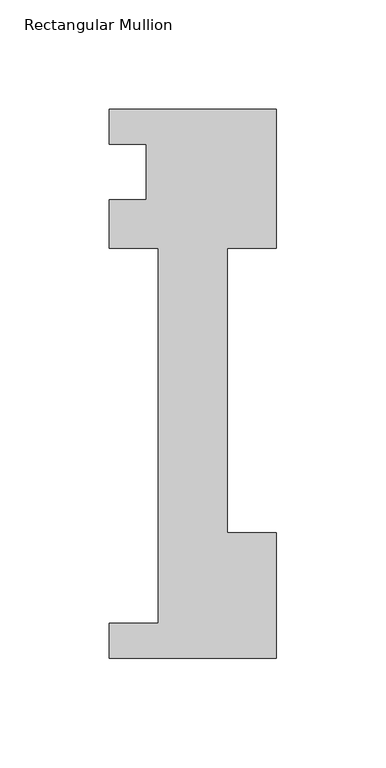
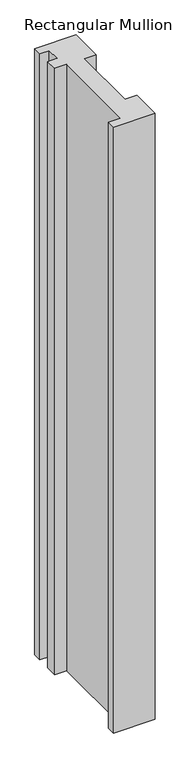
"""IFC4 building model written with IfcOpenShell, lengths in millimetres: member geometry, Rectangular Mullion."""

from ifc_helpers import new_model, si_unit, frame, origin, place, context, project, spatial, polyline, outline, extrude, source, transform, mapped, element, save


def rectangular_mullion_6cc9efab(model_context):
    return source(origin(), model_context, "Body", "SweptSolid", [
        extrude(outline(polyline([(-76.2, -221.996), (-76.2, -206.121), (-53.975, -206.121), (-53.975, -34.671), (-76.2, -34.671), (-76.2, -12.446), (-59.2778052, -12.446), (-59.2778052, 12.954), (-76.2, 12.954), (-76.2, 28.8082618), (0.0, 28.8082618), (0.0, -34.671), (-22.225, -34.671), (-22.225, -164.75372), (0.0, -164.75372), (0.0, -221.996), (-76.2, -221.996)])), frame((0.0, 0.0, -1176.3770842), z_axis=(0.0, 0.0, 1.0), x_axis=(1.0, 0.0, 0.0)), (0.0, 0.0, 1.0), 1176.3770842),
    ])


if __name__ == "__main__":
    model = new_model("IFC4")
    model_context = context("Model", 3, world=origin())
    ifc_project = project(units=[si_unit("LENGTHUNIT", "METRE", prefix="MILLI")], contexts=[model_context])
    site = spatial("IfcSite", under=ifc_project)
    building = spatial("IfcBuilding", under=site)
    placement = place(None, origin())
    rectangular_mullion_shape = rectangular_mullion_6cc9efab(model_context)
    element("IfcMember", 1, ObjectType="Rectangular Mullion", at=placement, inside=building, context=model_context, shape_type="MappedRepresentation", body=[
        mapped(rectangular_mullion_shape, transform((0.0, 0.0, 0.0), x_axis=(1.0, 0.0, 0.0), y_axis=(0.0, 1.0, 0.0), z_axis=(0.0, 0.0, 1.0))),
    ])
    save(model, "model.ifc")
